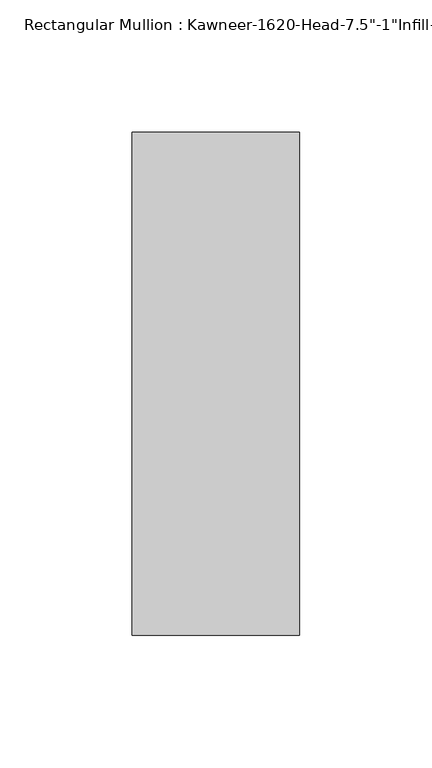
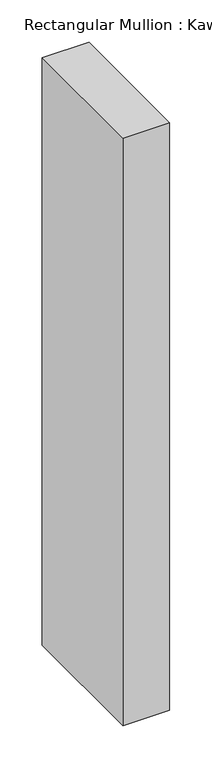
"""IFC4 building model written with IfcOpenShell, lengths in millimetres: member geometry."""

from ifc_helpers import new_model, si_unit, frame, origin, place, context, project, spatial, polyline, outline, extrude, source, transform, mapped, element, save


def member_c65add9b(model_context):
    return source(origin(), model_context, "Body", "SweptSolid", [
        extrude(outline(polyline([(-22.225, 38.1), (41.275, 38.1), (41.275, -152.4), (-22.225, -152.4), (-22.225, 38.1)])), frame((0.0, 0.0, -845.4182369), z_axis=(0.0, 0.0, 1.0), x_axis=(1.0, 0.0, 0.0)), (0.0, 0.0, 1.0), 845.4182369),
    ])


if __name__ == "__main__":
    model = new_model("IFC4")
    model_context = context("Model", 3, world=origin())
    ifc_project = project(units=[si_unit("LENGTHUNIT", "METRE", prefix="MILLI")], contexts=[model_context])
    site = spatial("IfcSite", under=ifc_project)
    building = spatial("IfcBuilding", under=site)
    placement = place(None, origin())
    member_shape = member_c65add9b(model_context)
    element("IfcMember", 1, ObjectType="Rectangular Mullion : Kawneer-1620-Head-7.5\"-1\"Infill-1A", at=placement, inside=building, context=model_context, shape_type="MappedRepresentation", body=[
        mapped(member_shape, transform((0.0, 0.0, 0.0), x_axis=(1.0, 0.0, 0.0), y_axis=(0.0, 1.0, 0.0), z_axis=(0.0, 0.0, 1.0))),
    ])
    save(model, "model.ifc")
